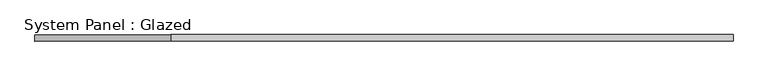
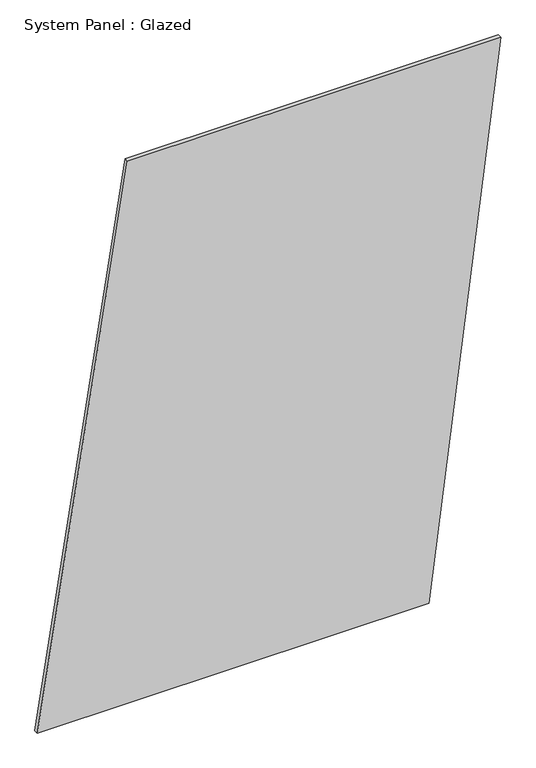
"""IFC4 building model written with IfcOpenShell, lengths in millimetres: plate geometry, System Panel : Glazed."""

from ifc_helpers import new_model, si_unit, frame, origin, place, context, project, spatial, polyline, outline, extrude, source, transform, mapped, element, save


def system_panel_glazed_557b8c14(model_context):
    return source(origin(), model_context, "Body", "SweptSolid", [
        extrude(outline(polyline([(0.0, -1350.6783905), (0.0, 930.8807021), (3337.7616575, 1350.6783905), (3337.7616575, -825.93128), (0.0, -1350.6783905)])), frame((0.0, -49.5, 0.0), z_axis=(0.0, 1.0, 0.0), x_axis=(0.0, 0.0, 1.0)), (0.0, 0.0, 1.0), 25.0),
    ])


if __name__ == "__main__":
    model = new_model("IFC4")
    model_context = context("Model", 3, world=origin())
    ifc_project = project(units=[si_unit("LENGTHUNIT", "METRE", prefix="MILLI")], contexts=[model_context])
    site = spatial("IfcSite", under=ifc_project)
    building = spatial("IfcBuilding", under=site)
    placement = place(None, origin())
    system_panel_glazed_shape = system_panel_glazed_557b8c14(model_context)
    element("IfcPlate", 1, ObjectType="System Panel : Glazed", at=placement, inside=building, context=model_context, shape_type="MappedRepresentation", body=[
        mapped(system_panel_glazed_shape, transform((0.0, 0.0, 0.0), x_axis=(1.0, 0.0, 0.0), y_axis=(0.0, 1.0, 0.0), z_axis=(0.0, 0.0, 1.0))),
    ])
    save(model, "model.ifc")
